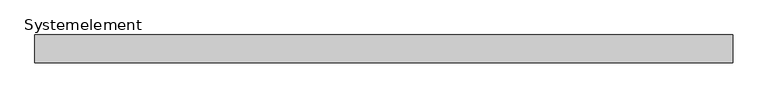
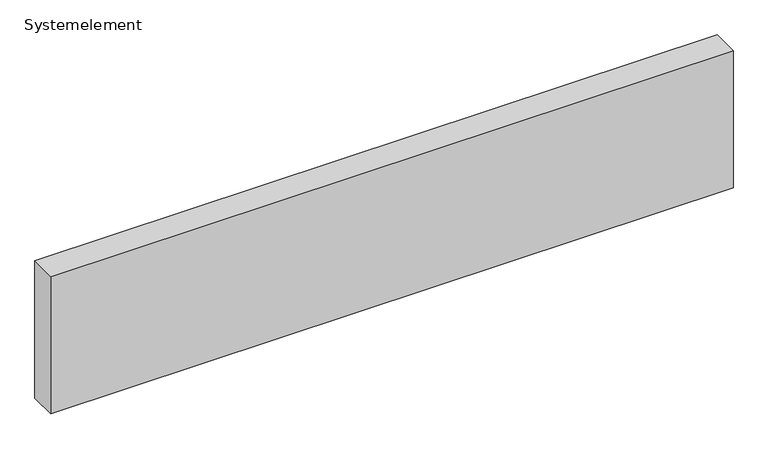
"""IFC4 building model written with IfcOpenShell, lengths in millimetres: plate geometry, Systemelement."""

from ifc_helpers import new_model, si_unit, origin, origin_with_axes, place, context, project, spatial, polyline, outline, extrude, source, transform, mapped, element, save


def systemelement_04de44d8(model_context):
    return source(origin(), model_context, "Body", "SweptSolid", [
        extrude(outline(polyline([(2000.0, -160.0), (-2000.0, -160.0), (-2000.0, 0.0), (2000.0, 0.0), (2000.0, -160.0)])), origin_with_axes(), (0.0, 0.0, 1.0), 851.6147161),
    ])


if __name__ == "__main__":
    model = new_model("IFC4")
    model_context = context("Model", 3, world=origin())
    ifc_project = project(units=[si_unit("LENGTHUNIT", "METRE", prefix="MILLI")], contexts=[model_context])
    site = spatial("IfcSite", under=ifc_project)
    building = spatial("IfcBuilding", under=site)
    placement = place(None, origin())
    systemelement_shape = systemelement_04de44d8(model_context)
    element("IfcPlate", 1, ObjectType="Systemelement", at=placement, inside=building, context=model_context, shape_type="MappedRepresentation", body=[
        mapped(systemelement_shape, transform((0.0, 0.0, 0.0), x_axis=(1.0, 0.0, 0.0), y_axis=(0.0, 1.0, 0.0), z_axis=(0.0, 0.0, 1.0))),
    ])
    save(model, "model.ifc")
